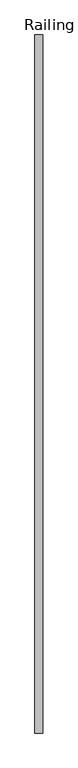
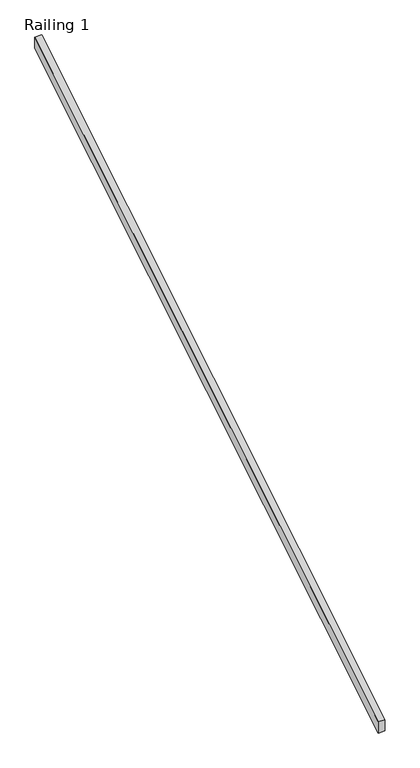
"""IFC4 building model written with IfcOpenShell, lengths in millimetres: railing geometry, Railing 1."""

from ifc_helpers import new_model, si_unit, frame, origin, place, context, project, spatial, polyline, outline, extrude, source, transform, mapped, element, save


def railing_1_65e0272b(model_context):
    return source(origin(), model_context, "Body", "SweptSolid", [
        extrude(outline(polyline([(183604.6596581, 1139.2458145), (183604.6596581, 1228.4891807), (188075.0596581, 3953.7679687), (188075.0596581, 3864.5246025), (183604.6596581, 1139.2458145)])), frame((240449.8728488, 0.0, 0.0), z_axis=(1.0, 0.0, 0.0), x_axis=(0.0, 1.0, 0.0)), (0.0, 0.0, 1.0), 50.8),
    ])


if __name__ == "__main__":
    model = new_model("IFC4")
    model_context = context("Model", 3, world=origin())
    ifc_project = project(units=[si_unit("LENGTHUNIT", "METRE", prefix="MILLI")], contexts=[model_context])
    site = spatial("IfcSite", under=ifc_project)
    building = spatial("IfcBuilding", under=site)
    placement = place(None, origin())
    railing_1_shape = railing_1_65e0272b(model_context)
    element("IfcRailing", 1, ObjectType="Railing 1", at=placement, inside=building, context=model_context, shape_type="MappedRepresentation", body=[
        mapped(railing_1_shape, transform((0.0, 0.0, 0.0), x_axis=(1.0, 0.0, 0.0), y_axis=(0.0, 1.0, 0.0), z_axis=(0.0, 0.0, 1.0))),
    ])
    save(model, "model.ifc")
